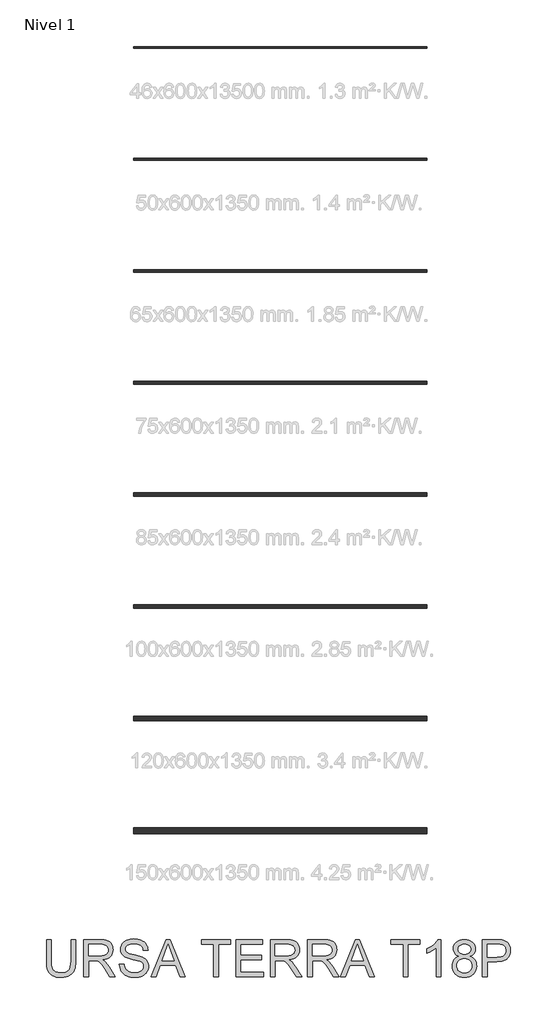
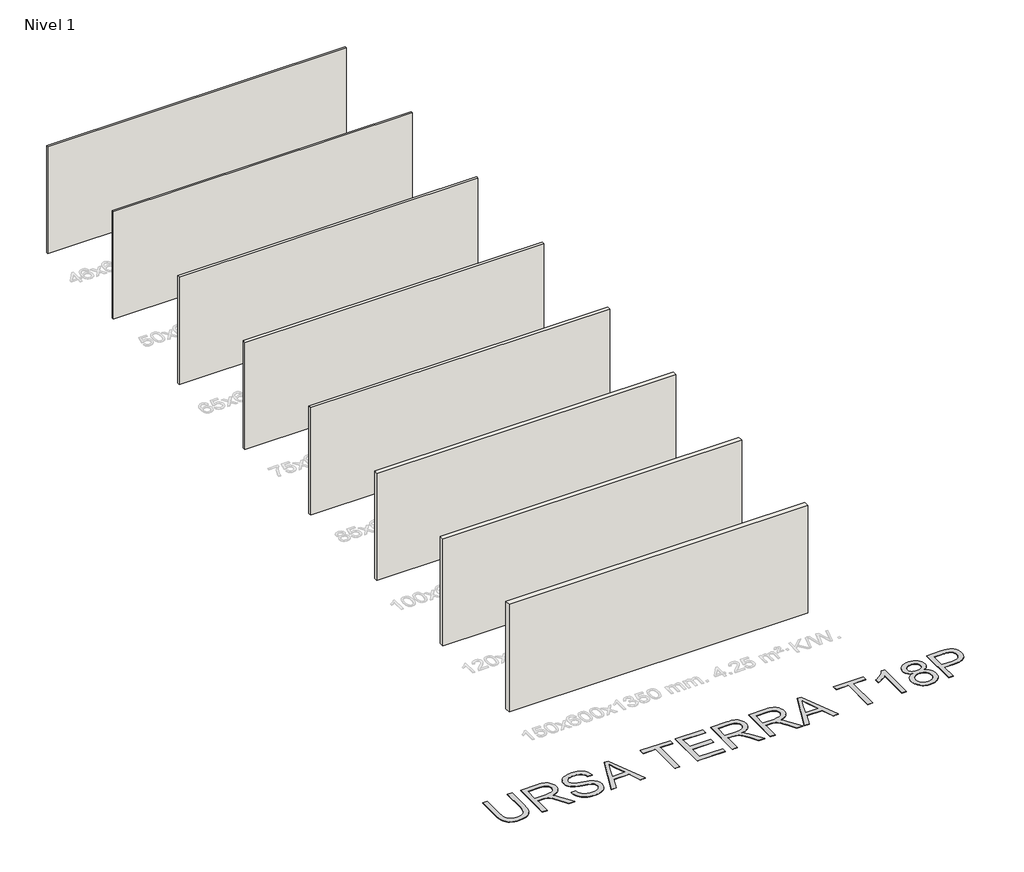
# One storey, part 1 of 9: 8 walls, 1 proxy.
"""IFC4 building model written with IfcOpenShell, lengths in millimetres."""

import ifcopenshell
import ifcopenshell.guid

model = None  # the IFC model being written
_history = None  # IfcOwnerHistory: only IFC2X3 demands one
_inside = {}  # id of a spatial element -> (the spatial element, [elements in it])
_under = {}  # id of a project, library or spatial element -> (it, [spatial elements below it])
_declared = {}  # id of a project -> (the project, [libraries it declares])
_typed = {}  # id of a type object -> (the type object, [elements of that type])
_made_of = {}  # id of a material, layer set ... -> (it, [elements and type objects made of it])


def new_model(schema):
    """Start an empty IFC model of exactly this schema.

    Asked for "IFC4X3", IfcOpenShell would pick the latest addendum, in which some entities
    have other attributes; the version numbers below select the first issue.
    IFC2X3 requires an IfcOwnerHistory on every rooted entity: one is made here for all.
    """
    global model, _history
    if schema == "IFC4X3":
        model = ifcopenshell.file(schema_version=(4, 3, 0, 0))
    else:
        model = ifcopenshell.file(schema=schema)
    _inside.clear()
    _under.clear()
    _declared.clear()
    _typed.clear()
    _made_of.clear()
    _history = None
    if model.schema == "IFC2X3":
        org = make("IfcOrganization", Name="unknown")
        user = make(
            "IfcPersonAndOrganization",
            ThePerson=make("IfcPerson", FamilyName="unknown"),
            TheOrganization=org,
        )
        app = make(
            "IfcApplication",
            ApplicationDeveloper=org,
            Version="unknown",
            ApplicationFullName="unknown",
            ApplicationIdentifier="unknown",
        )
        _history = make(
            "IfcOwnerHistory",
            OwningUser=user,
            OwningApplication=app,
            ChangeAction="ADDED",
            CreationDate=0,
        )
    return model


def make(cls, **values):
    """One entity of the class cls with the attributes given. An attribute that is None is left unset."""
    return model.create_entity(
        cls, **{name: value for name, value in values.items() if value is not None}
    )


def rooted(cls, **values):
    """An entity with a GlobalId (a new one), such as an element, a storey or a relation."""
    return make(cls, GlobalId=ifcopenshell.guid.new(), OwnerHistory=_history, **values)


def si_unit(unit_type, name, prefix=None):
    """IfcSIUnit, for example si_unit("LENGTHUNIT", "METRE", prefix="MILLI")."""
    return make("IfcSIUnit", UnitType=unit_type, Prefix=prefix, Name=name)


def assignment(units):
    """IfcUnitAssignment: the units of a project."""
    return None if units is None else make("IfcUnitAssignment", Units=units)


def point(xyz):
    """IfcCartesianPoint."""
    return None if xyz is None else make("IfcCartesianPoint", Coordinates=xyz)


def direction(xyz):
    """IfcDirection."""
    return None if xyz is None else make("IfcDirection", DirectionRatios=xyz)


def frame(location, z_axis=None, x_axis=None):
    """IfcAxis2Placement3D, a coordinate frame: its origin and axes. An axis left out is left unset."""
    return make(
        "IfcAxis2Placement3D",
        Location=point(location),
        Axis=direction(z_axis),
        RefDirection=direction(x_axis),
    )


def origin():
    """The frame at (0, 0, 0) with its axes left unset."""
    return frame((0.0, 0.0, 0.0))


def origin_with_axes():
    """The frame at (0, 0, 0) with the z axis (0, 0, 1) and the x axis (1, 0, 0) written out."""
    return frame((0.0, 0.0, 0.0), z_axis=(0.0, 0.0, 1.0), x_axis=(1.0, 0.0, 0.0))


def place(relative_to, where):
    """IfcLocalPlacement: puts the frame where relative to a parent placement (None: the world)."""
    return make(
        "IfcLocalPlacement", PlacementRelTo=relative_to, RelativePlacement=where
    )


def context(
    kind, dimensions, precision=None, world=None, true_north=None, identifier=None
):
    """IfcGeometricRepresentationContext, for example the 3D "Model" context."""
    return make(
        "IfcGeometricRepresentationContext",
        ContextIdentifier=identifier,
        ContextType=kind,
        CoordinateSpaceDimension=dimensions,
        Precision=precision,
        WorldCoordinateSystem=world,
        TrueNorth=true_north,
    )


def project(units=None, contexts=None):
    """IfcProject with its units and contexts."""
    return rooted(
        "IfcProject",
        Name="project",
        RepresentationContexts=contexts,
        UnitsInContext=assignment(units),
    )


def spatial(cls, under=None, at=None, **own):
    """A site, building, storey or space (cls), placed at a placement, below another one or the project."""
    s = rooted(cls, ObjectPlacement=at, **own)
    if under is not None:
        _under.setdefault(under.id(), (under, []))[1].append(s)
    return s


def polyline(points):
    """IfcPolyline through the points."""
    return make("IfcPolyline", Points=[point(p) for p in points])


def outline(outer, holes=None, kind="AREA"):
    """IfcArbitraryClosedProfileDef: a profile drawn as a closed curve; with holes, ...WithVoids."""
    if holes is None:
        return make("IfcArbitraryClosedProfileDef", ProfileType=kind, OuterCurve=outer)
    return make(
        "IfcArbitraryProfileDefWithVoids",
        ProfileType=kind,
        OuterCurve=outer,
        InnerCurves=holes,
    )


def extrude(swept, where, along, depth):
    """IfcExtrudedAreaSolid: the profile swept, set in the frame where, extruded along a direction by depth."""
    return make(
        "IfcExtrudedAreaSolid",
        SweptArea=swept,
        Position=where,
        ExtrudedDirection=direction(along),
        Depth=depth,
    )


def shape(context_of_items, identifier, shape_type, items):
    """IfcShapeRepresentation: the items that make up one representation, for example the "Body"."""
    return make(
        "IfcShapeRepresentation",
        ContextOfItems=context_of_items,
        RepresentationIdentifier=identifier,
        RepresentationType=shape_type,
        Items=items,
    )


def made_of(thing, what):
    """Note that an element or type object is made of a material, layer set ...; save() writes the relation."""
    if what is not None:
        _made_of.setdefault(what.id(), (what, []))[1].append(thing)
    return thing


def element(
    cls,
    number,
    at=None,
    inside=None,
    cuts=None,
    type_object=None,
    material=None,
    context=None,
    identifier="Body",
    shape_type=None,
    held_by="IfcProductDefinitionShape",
    body=None,
    shapes=None,
    **own,
):
    """One element of the class cls, such as IfcWall. Its Tag is "e" and its number.

    at: its placement. inside: the storey or other place that contains it. cuts: it is an
    opening in that element (IfcRelVoidsElement). A single representation is given by context,
    identifier, shape_type and body (its items); several are given by shapes. held_by: the class
    of the entity that holds the representations. save() writes the other relations.
    """
    e = rooted(cls, Tag="e%d" % number, ObjectPlacement=at, **own)
    if body is not None:
        shapes = [shape(context, identifier, shape_type, body)]
    if shapes is not None:
        e.Representation = make(held_by, Representations=shapes)
    if inside is not None:
        _inside.setdefault(inside.id(), (inside, []))[1].append(e)
    if cuts is not None:
        rooted(
            "IfcRelVoidsElement", RelatingBuildingElement=cuts, RelatedOpeningElement=e
        )
    if type_object is not None:
        _typed.setdefault(type_object.id(), (type_object, []))[1].append(e)
    return made_of(e, material)


def aggregate(whole, parts):
    """IfcRelAggregates: a whole, such as a stair, and the parts it consists of."""
    return rooted("IfcRelAggregates", RelatingObject=whole, RelatedObjects=parts)


def save(model, path):
    """Write the relations noted so far, then the file.

    IfcRelAggregates (storeys below a building ...), IfcRelContainedInSpatialStructure (elements
    in a storey), IfcRelDefinesByType, IfcRelAssociatesMaterial and IfcRelDeclares: one each for
    every whole, place, type object, material and project.
    """
    for whole, parts in _under.values():
        aggregate(whole, parts)
    for where, things in _inside.values():
        rooted(
            "IfcRelContainedInSpatialStructure",
            RelatedElements=things,
            RelatingStructure=where,
        )
    for kind, things in _typed.values():
        rooted("IfcRelDefinesByType", RelatedObjects=things, RelatingType=kind)
    for what, things in _made_of.values():
        rooted("IfcRelAssociatesMaterial", RelatedObjects=things, RelatingMaterial=what)
    for by, libraries in _declared.values():
        rooted("IfcRelDeclares", RelatingContext=by, RelatedDefinitions=libraries)
    model.write(path)


model = new_model("IFC4")

# Units and contexts
model_context = context("Model", 3, world=origin())
ifc_project = project(units=[si_unit("LENGTHUNIT", "METRE", prefix="MILLI")], contexts=[model_context])

# Site, building, storey
site = spatial("IfcSite", under=ifc_project)
building = spatial("IfcBuilding", under=site)
storey = spatial("IfcBuildingStorey", under=building, Name="Nivel 1", Elevation=0.0)

# Proxy
placement = place(None, origin())
element("IfcBuildingElementProxy", 1, Name="Texto de modelo 2", ObjectType="Texto de modelo 2", at=placement, inside=storey, context=model_context, shape_type="SweptSolid", body=[
    extrude(outline(polyline([(-8219.1012107, -20025.8387308), (-8093.530823, -20025.8387308), (-8093.530823, -20605.3755006), (-8095.6614729, -20677.1354823), (-8102.0534226, -20741.0933), (-8112.706672, -20797.2489537), (-8127.6212212, -20845.6024434), (-8148.0846572, -20887.985515), (-8175.3845669, -20926.229914), (-8209.5209504, -20960.3356407), (-8250.4938076, -20990.3026949), (-8298.3491238, -21014.7131981), (-8353.1328843, -21032.1492718), (-8414.845089, -21042.6109161), (-8483.4857379, -21046.0981308), (-8550.4325968, -21043.0631043), (-8610.9875061, -21033.958025), (-8665.1504656, -21018.7828927), (-8712.9214756, -20997.5377074), (-8754.3082, -20970.5367018), (-8789.3183032, -20938.0941084), (-8817.9517852, -20900.2099271), (-8840.2086459, -20856.8841579), (-8856.8936272, -20806.6299446), (-8868.811471, -20747.9604305), (-8875.9621773, -20680.8756159), (-8878.3457461, -20605.3755006), (-8878.3457461, -20025.8387308), (-8752.7753584, -20025.8387308), (-8752.7753584, -20600.9609166), (-8751.2271883, -20661.66911), (-8746.5826781, -20713.8087187), (-8738.8418278, -20757.3797425), (-8728.0046374, -20792.3821815), (-8713.3966565, -20821.3452244), (-8694.3434348, -20846.7980599), (-8670.8449724, -20868.7406881), (-8642.9012691, -20887.1731089), (-8611.0488197, -20901.7657614), (-8575.8241187, -20912.1890846), (-8537.227166, -20918.4430785), (-8495.2579617, -20920.5277431), (-8426.0501614, -20916.4043991), (-8367.5415958, -20904.034367), (-8319.7322648, -20883.4176468), (-8299.8398123, -20870.0167788), (-8282.6221685, -20854.5542386), (-8267.734444, -20836.1601389), (-8254.8317495, -20813.9645918), (-8234.9814502, -20758.1691559), (-8223.0712706, -20687.1679308), (-8219.1012107, -20600.9609166), (-8219.1012107, -20025.8387308)])), origin_with_axes(), (0.0, 0.0, 1.0), 10.0),
    extrude(outline(polyline([(-7873.7826446, -21030.4018323), (-7873.7826446, -20025.8387308), (-7440.9081636, -20025.8387308), (-7378.7744274, -20027.5325209), (-7324.5654826, -20032.6138909), (-7278.2813291, -20041.082841), (-7239.9219669, -20052.9393712), (-7207.2571114, -20069.0955221), (-7178.056478, -20090.4633347), (-7152.3200668, -20117.0428088), (-7130.0478776, -20148.8339446), (-7112.0753093, -20184.1276235), (-7099.2377606, -20221.2147271), (-7091.5352313, -20260.0952555), (-7088.9677215, -20300.7692086), (-7093.2213571, -20352.3646584), (-7105.9822638, -20399.7294653), (-7127.2504416, -20442.8636292), (-7157.0258906, -20481.7671502), (-7195.6918212, -20515.1984265), (-7243.6314437, -20541.9158564), (-7300.8447581, -20561.9194399), (-7367.3317645, -20575.209177), (-7325.9450401, -20602.2485036), (-7295.9626575, -20628.9199483), (-7244.5204918, -20689.9270458), (-7194.1819721, -20758.1691559), (-7026.673037, -21030.4018323), (-7172.5995618, -21030.4018323), (-7303.3202974, -20822.1806231), (-7355.6208544, -20742.7181121), (-7397.7433428, -20684.3475022), (-7432.8454165, -20644.1563942), (-7464.0847293, -20619.2323891), (-7493.668573, -20604.6090798), (-7523.8042398, -20595.3200594), (-7596.6448749, -20590.9054754), (-7748.2122569, -20590.9054754), (-7748.2122569, -21030.4018323), (-7873.7826446, -21030.4018323)]), holes=[polyline([(-7748.2122569, -20465.3350877), (-7467.1504126, -20465.3350877), (-7386.4309715, -20460.889847), (-7323.7990618, -20447.5541246), (-7298.6144735, -20437.3300709), (-7276.6488527, -20424.4388726), (-7257.9021994, -20408.8805299), (-7242.3745135, -20390.6550427), (-7230.1960866, -20370.6591234), (-7221.4972103, -20349.7894844), (-7216.2778845, -20328.0461257), (-7214.5381092, -20305.4290472), (-7217.8567114, -20273.3160147), (-7227.8125179, -20244.176695), (-7244.4055287, -20218.0110881), (-7267.6357438, -20194.819194), (-7298.0396579, -20175.827286), (-7336.1537654, -20162.2616374), (-7381.9780665, -20154.1222482), (-7435.512561, -20151.4091185), (-7748.2122569, -20151.4091185), (-7748.2122569, -20465.3350877)])]), origin_with_axes(), (0.0, 0.0, 1.0), 10.0),
    extrude(outline(polyline([(-6916.3084385, -20685.0832662), (-6790.7380508, -20685.0832662), (-6784.9898946, -20721.6338753), (-6776.3293393, -20754.7662475), (-6764.7563849, -20784.4803828), (-6750.2710313, -20810.7762812), (-6732.1375146, -20834.1827732), (-6709.6200708, -20855.228689), (-6682.7186999, -20873.9140286), (-6651.4334019, -20890.2387922), (-6616.913808, -20903.4902082), (-6580.3095495, -20912.9555054), (-6541.6206264, -20918.6346837), (-6500.8470386, -20920.5277431), (-6430.8881458, -20914.7949154), (-6399.1736521, -20907.6288807), (-6369.6357936, -20897.5964321), (-6343.00267, -20885.0577874), (-6320.0023811, -20870.3731644), (-6300.6349269, -20853.5425632), (-6284.9003074, -20834.5659836), (-6272.7218805, -20814.263496), (-6264.0230042, -20793.4551706), (-6258.8036784, -20772.1410075), (-6257.0639031, -20750.3210067), (-6262.2755647, -20708.2904887), (-6277.9105495, -20671.9621417), (-6291.0623308, -20655.8443118), (-6309.6710284, -20640.9680836), (-6333.7366423, -20627.3334572), (-6363.2591724, -20614.9404325), (-6429.569902, -20595.2280889), (-6546.096524, -20566.9931457), (-6666.1180249, -20535.2633237), (-6709.9189749, -20519.9732282), (-6742.9133914, -20505.0663432), (-6776.4443024, -20485.0627597), (-6805.4226737, -20462.8212274), (-6829.8485054, -20438.3417463), (-6849.7217973, -20411.6243164), (-6865.1191917, -20382.9448492), (-6876.1173305, -20352.5792562), (-6882.7162138, -20320.5275374), (-6884.9158415, -20286.7896928), (-6882.1950476, -20249.3960208), (-6874.0326658, -20213.2439506), (-6860.4286962, -20178.333482), (-6841.3831388, -20144.6646153), (-6817.1105913, -20113.6092435), (-6787.8256516, -20086.53926), (-6753.5283198, -20063.4546648), (-6714.2185958, -20044.3554579), (-6671.2223876, -20029.3872593), (-6625.8656033, -20018.6956888), (-6578.1482428, -20012.2807465), (-6528.0703062, -20010.1424324), (-6473.4398299, -20012.3803812), (-6422.1202916, -20019.0942276), (-6374.1116912, -20030.2839716), (-6329.4140288, -20045.9496132), (-6288.8550388, -20065.9531967), (-6253.2624558, -20090.1567663), (-6222.6362797, -20118.560322), (-6196.9765105, -20151.1638639), (-6176.4824177, -20187.01703), (-6161.3532707, -20225.1694586), (-6151.5890694, -20265.6211496), (-6147.1898139, -20308.3721031), (-6272.7602016, -20308.3721031), (-6281.1601738, -20268.3036225), (-6295.8141399, -20233.4468035), (-6316.7221, -20203.801646), (-6343.884054, -20179.3681502), (-6377.8058396, -20160.2689432), (-6418.9932946, -20146.6266526), (-6467.4464191, -20138.4412782), (-6523.1652129, -20135.7128201), (-6580.6621031, -20138.4106214), (-6629.7896779, -20146.5040253), (-6670.5479373, -20159.9930317), (-6702.9368812, -20178.8776408), (-6727.6156318, -20201.5790256), (-6745.2433107, -20226.5183592), (-6755.8199181, -20253.6956416), (-6759.3454538, -20283.1108728), (-6756.846922, -20308.4180884), (-6749.3513263, -20331.3647278), (-6736.8586669, -20351.9507911), (-6719.3689437, -20370.1762783), (-6691.8391077, -20387.4360753), (-6648.490346, -20404.8798132), (-6589.3226584, -20422.5074921), (-6514.3360451, -20440.3191121), (-6375.8897875, -20473.9803146), (-6327.17608, -20489.2014322), (-6292.13532, -20503.3495606), (-6253.638002, -20524.7940152), (-6220.5516151, -20548.9056143), (-6192.8761591, -20575.6843579), (-6170.6116342, -20605.1302459), (-6153.4974572, -20637.0899942), (-6141.2730451, -20671.4103187), (-6133.9383978, -20708.0912193), (-6131.4935154, -20747.1326961), (-6134.3062798, -20786.4117632), (-6142.7445731, -20824.5411992), (-6156.8083952, -20861.5210039), (-6176.4977461, -20897.3511774), (-6201.4677366, -20930.644498), (-6231.3734771, -20960.0137439), (-6266.2149677, -20985.4589153), (-6305.9922085, -21006.980012), (-6349.5479038, -21024.094189), (-6395.7247584, -21036.3186011), (-6444.5227723, -21043.6532484), (-6495.9419453, -21046.0981308), (-6560.1756745, -21043.4616432), (-6618.9678158, -21035.5521803), (-6672.3183694, -21022.3697421), (-6720.227335, -21003.9143287), (-6762.9859528, -20980.1552832), (-6800.8854625, -20951.0619487), (-6833.9258642, -20916.6343253), (-6862.1071578, -20876.872413), (-6884.8085426, -20833.0637988), (-6901.4092176, -20786.4960695), (-6911.9091829, -20737.1692253), (-6916.3084385, -20685.0832662)])), origin_with_axes(), (0.0, 0.0, 1.0), 10.0),
    extrude(outline(polyline([(-6059.8791537, -21030.4018323), (-5658.8877789, -20025.8387308), (-5551.9567457, -20025.8387308), (-5151.2106256, -21030.4018323), (-5283.8933985, -21030.4018323), (-5398.672581, -20716.4758631), (-5812.6624529, -20716.4758631), (-5927.4416354, -21030.4018323), (-6059.8791537, -21030.4018323)]), holes=[polyline([(-5766.5545762, -20590.9054754), (-5444.5352031, -20590.9054754), (-5535.2794286, -20343.9340293), (-5605.667517, -20151.4091185), (-5668.2074561, -20322.351619), (-5766.5545762, -20590.9054754)])]), origin_with_axes(), (0.0, 0.0, 1.0), 10.0),
    extrude(outline(polyline([(-4373.5080878, -21030.4018323), (-4373.5080878, -20151.4091185), (-4703.1303555, -20151.4091185), (-4703.1303555, -20025.8387308), (-3918.3154324, -20025.8387308), (-3918.3154324, -20151.4091185), (-4247.9377001, -20151.4091185), (-4247.9377001, -21030.4018323), (-4373.5080878, -21030.4018323)])), origin_with_axes(), (0.0, 0.0, 1.0), 10.0),
    extrude(outline(polyline([(-3777.0487463, -21030.4018323), (-3777.0487463, -20025.8387308), (-3055.0190171, -20025.8387308), (-3055.0190171, -20151.4091185), (-3651.4783586, -20151.4091185), (-3651.4783586, -20449.6387893), (-3086.411614, -20449.6387893), (-3086.411614, -20575.209177), (-3651.4783586, -20575.209177), (-3651.4783586, -20904.8314446), (-3039.3227186, -20904.8314446), (-3039.3227186, -21030.4018323), (-3777.0487463, -21030.4018323)])), origin_with_axes(), (0.0, 0.0, 1.0), 10.0),
    extrude(outline(polyline([(-2850.9671371, -21030.4018323), (-2850.9671371, -20025.8387308), (-2418.0926561, -20025.8387308), (-2355.9589199, -20027.5325209), (-2301.7499751, -20032.6138909), (-2255.4658216, -20041.082841), (-2217.1064594, -20052.9393712), (-2184.4416039, -20069.0955221), (-2155.2409705, -20090.4633347), (-2129.5045593, -20117.0428088), (-2107.2323702, -20148.8339446), (-2089.2598019, -20184.1276235), (-2076.4222531, -20221.2147271), (-2068.7197238, -20260.0952555), (-2066.152214, -20300.7692086), (-2070.4058496, -20352.3646584), (-2083.1667563, -20399.7294653), (-2104.4349342, -20442.8636292), (-2134.2103831, -20481.7671502), (-2172.8763137, -20515.1984265), (-2220.8159362, -20541.9158564), (-2278.0292506, -20561.9194399), (-2344.5162571, -20575.209177), (-2303.1295326, -20602.2485036), (-2273.14715, -20628.9199483), (-2221.7049843, -20689.9270458), (-2171.3664647, -20758.1691559), (-2003.8575295, -21030.4018323), (-2149.7840543, -21030.4018323), (-2280.5047899, -20822.1806231), (-2332.8053469, -20742.7181121), (-2374.9278353, -20684.3475022), (-2410.029909, -20644.1563942), (-2441.2692218, -20619.2323891), (-2470.8530656, -20604.6090798), (-2500.9887323, -20595.3200594), (-2573.8293674, -20590.9054754), (-2725.3967494, -20590.9054754), (-2725.3967494, -21030.4018323), (-2850.9671371, -21030.4018323)]), holes=[polyline([(-2725.3967494, -20465.3350877), (-2444.3349051, -20465.3350877), (-2363.615464, -20460.889847), (-2300.9835543, -20447.5541246), (-2275.798966, -20437.3300709), (-2253.8333452, -20424.4388726), (-2235.0866919, -20408.8805299), (-2219.559006, -20390.6550427), (-2207.3805791, -20370.6591234), (-2198.6817028, -20349.7894844), (-2193.462377, -20328.0461257), (-2191.7226017, -20305.4290472), (-2195.0412039, -20273.3160147), (-2204.9970104, -20244.176695), (-2221.5900212, -20218.0110881), (-2244.8202364, -20194.819194), (-2275.2241504, -20175.827286), (-2313.338258, -20162.2616374), (-2359.162559, -20154.1222482), (-2412.6970535, -20151.4091185), (-2725.3967494, -20151.4091185), (-2725.3967494, -20465.3350877)])]), origin_with_axes(), (0.0, 0.0, 1.0), 10.0),
    extrude(outline(polyline([(-1846.4040356, -21030.4018323), (-1846.4040356, -20025.8387308), (-1413.5295546, -20025.8387308), (-1351.3958185, -20027.5325209), (-1297.1868736, -20032.6138909), (-1250.9027201, -20041.082841), (-1212.5433579, -20052.9393712), (-1179.8785024, -20069.0955221), (-1150.677869, -20090.4633347), (-1124.9414578, -20117.0428088), (-1102.6692687, -20148.8339446), (-1084.6967004, -20184.1276235), (-1071.8591516, -20221.2147271), (-1064.1566223, -20260.0952555), (-1061.5891125, -20300.7692086), (-1065.8427481, -20352.3646584), (-1078.6036548, -20399.7294653), (-1099.8718327, -20442.8636292), (-1129.6472817, -20481.7671502), (-1168.3132122, -20515.1984265), (-1216.2528347, -20541.9158564), (-1273.4661491, -20561.9194399), (-1339.9531556, -20575.209177), (-1298.5664311, -20602.2485036), (-1268.5840485, -20628.9199483), (-1217.1418828, -20689.9270458), (-1166.8033632, -20758.1691559), (-999.294428, -21030.4018323), (-1145.2209528, -21030.4018323), (-1275.9416884, -20822.1806231), (-1328.2422454, -20742.7181121), (-1370.3647338, -20684.3475022), (-1405.4668075, -20644.1563942), (-1436.7061203, -20619.2323891), (-1466.2899641, -20604.6090798), (-1496.4256308, -20595.3200594), (-1569.2662659, -20590.9054754), (-1720.8336479, -20590.9054754), (-1720.8336479, -21030.4018323), (-1846.4040356, -21030.4018323)]), holes=[polyline([(-1720.8336479, -20465.3350877), (-1439.7718036, -20465.3350877), (-1359.0523625, -20460.889847), (-1296.4204528, -20447.5541246), (-1271.2358645, -20437.3300709), (-1249.2702437, -20424.4388726), (-1230.5235904, -20408.8805299), (-1214.9959045, -20390.6550427), (-1202.8174776, -20370.6591234), (-1194.1186013, -20349.7894844), (-1188.8992755, -20328.0461257), (-1187.1595002, -20305.4290472), (-1190.4781024, -20273.3160147), (-1200.4339089, -20244.176695), (-1217.0269197, -20218.0110881), (-1240.2571349, -20194.819194), (-1270.6610489, -20175.827286), (-1308.7751565, -20162.2616374), (-1354.5994575, -20154.1222482), (-1408.133952, -20151.4091185), (-1720.8336479, -20151.4091185), (-1720.8336479, -20465.3350877)])]), origin_with_axes(), (0.0, 0.0, 1.0), 10.0),
    extrude(outline(polyline([(-958.5821539, -21030.4018323), (-557.5907792, -20025.8387308), (-450.6597459, -20025.8387308), (-49.9136258, -21030.4018323), (-182.5963987, -21030.4018323), (-297.3755812, -20716.4758631), (-711.3654531, -20716.4758631), (-826.1446356, -21030.4018323), (-958.5821539, -21030.4018323)]), holes=[polyline([(-665.2575764, -20590.9054754), (-343.2382033, -20590.9054754), (-433.9824288, -20343.9340293), (-504.3705172, -20151.4091185), (-566.9104564, -20322.351619), (-665.2575764, -20590.9054754)])]), origin_with_axes(), (0.0, 0.0, 1.0), 10.0),
    extrude(outline(polyline([(727.788912, -21030.4018323), (727.788912, -20151.4091185), (398.1666443, -20151.4091185), (398.1666443, -20025.8387308), (1182.9815674, -20025.8387308), (1182.9815674, -20151.4091185), (853.3592997, -20151.4091185), (853.3592997, -21030.4018323), (727.788912, -21030.4018323)])), origin_with_axes(), (0.0, 0.0, 1.0), 10.0),
    extrude(outline(polyline([(1748.048312, -21030.4018323), (1622.4779243, -21030.4018323), (1622.4779243, -20247.5489466), (1570.05474, -20289.9473465), (1503.5294125, -20332.2844328), (1433.6931471, -20369.2872302), (1371.3371489, -20395.6827633), (1371.3371489, -20276.9795062), (1422.2964694, -20251.427036), (1469.9601804, -20223.3300486), (1514.3282819, -20192.6885441), (1555.4007738, -20159.5025224), (1591.9513829, -20125.3048253), (1622.7538358, -20091.6282943), (1647.8081325, -20058.4729295), (1667.114273, -20025.8387308), (1748.048312, -20025.8387308), (1748.048312, -21030.4018323)])), origin_with_axes(), (0.0, 0.0, 1.0), 10.0),
    extrude(outline(polyline([(2229.2379616, -20477.1073116), (2193.1165482, -20462.0241498), (2162.007527, -20443.997932), (2135.910898, -20423.0286583), (2114.8266611, -20399.1163286), (2098.5708755, -20372.4908692), (2086.9596, -20343.3822063), (2079.9928347, -20311.79034), (2077.6705796, -20277.7152702), (2082.7289571, -20226.5030308), (2097.9040894, -20179.5520912), (2123.1959765, -20136.8624513), (2158.6046186, -20098.4341112), (2202.4285612, -20066.6736323), (2252.9663503, -20043.9875759), (2310.2179858, -20030.3759421), (2374.1834677, -20025.8387308), (2438.455518, -20030.483241), (2496.1363491, -20044.4167716), (2547.2259612, -20067.6393225), (2591.7243542, -20100.1508939), (2627.7767898, -20139.3303264), (2653.5285294, -20182.5564608), (2668.9795732, -20229.8292972), (2674.1299211, -20281.1488355), (2671.8383229, -20314.0206246), (2664.9635281, -20344.7004502), (2653.5055368, -20373.1883122), (2637.464349, -20399.4842106), (2616.7633225, -20423.2355919), (2591.3258154, -20444.0899025), (2561.1518276, -20462.0471424), (2526.2413591, -20477.1073116), (2567.5131204, -20494.6660127), (2603.5272349, -20516.9305376), (2634.2837025, -20543.9008863), (2659.7825233, -20575.577059), (2679.793771, -20611.2539483), (2694.0875194, -20650.2264472), (2702.6637684, -20692.4945556), (2705.5225181, -20738.0582735), (2699.851004, -20800.6901832), (2682.8364617, -20858.1104313), (2654.4788912, -20910.3190177), (2614.7782926, -20957.3159426), (2591.1955239, -20978.124268), (2565.8193304, -20996.15815), (2538.6497122, -21011.4175885), (2509.6866693, -21023.9025838), (2446.3803093, -21040.549244), (2375.9002504, -21046.0981308), (2305.4201915, -21040.5262514), (2242.1138315, -21023.8106133), (2213.1507886, -21011.2738846), (2185.9811704, -20995.9512163), (2160.6049769, -20977.8426083), (2137.0222082, -20956.9480606), (2097.3216095, -20909.6215748), (2068.9640391, -20856.7921874), (2051.9494968, -20798.4598986), (2046.2779827, -20734.6247082), (2049.2516955, -20686.9839898), (2058.1728339, -20643.3899734), (2073.0413979, -20603.8426589), (2093.8573874, -20568.3420464), (2120.1609501, -20537.5319293), (2151.4922333, -20512.0561011), (2187.8512372, -20491.9145619), (2229.2379616, -20477.1073116)]), holes=[polyline([(2171.8483704, -20730.2101243), (2177.0906888, -20778.2493815), (2192.8176441, -20824.755797), (2205.3179678, -20846.3305432), (2221.8496649, -20865.314787), (2242.4127356, -20881.7085284), (2267.0071798, -20895.5117674), (2321.0858331, -20914.2737492), (2376.881269, -20920.5277431), (2422.2840386, -20917.2397978), (2462.3525193, -20907.3759618), (2497.086711, -20890.9362351), (2526.4866137, -20867.9206178), (2549.8777773, -20839.8312946), (2566.5857512, -20808.1704504), (2576.6105356, -20772.9380852), (2579.9521304, -20734.1341989), (2576.5032367, -20694.7095117), (2566.1565556, -20658.8410172), (2548.912087, -20626.5287153), (2524.7698311, -20597.772606), (2494.5728507, -20574.1668447), (2459.1642086, -20557.3055865), (2418.543905, -20547.1888317), (2372.7119398, -20543.81658), (2327.9759563, -20547.1428464), (2288.436306, -20557.1216455), (2254.0929889, -20573.7529774), (2224.946005, -20597.036842), (2201.7157899, -20625.3177704), (2185.1227791, -20656.9402936), (2175.1669726, -20691.9044115), (2171.8483704, -20730.2101243)]), polyline([(2203.2409673, -20281.3940902), (2206.0230749, -20310.1808563), (2214.3693977, -20336.2085074), (2228.2799356, -20359.4770436), (2247.7546887, -20379.9864649), (2272.5484024, -20396.7250956), (2302.4158219, -20408.6812605), (2337.3569472, -20415.8549594), (2377.3717784, -20418.2461924), (2416.3979267, -20415.8702878), (2450.5802954, -20408.7425742), (2479.9188845, -20396.8630514), (2504.413694, -20380.2317195), (2523.7274988, -20360.151494), (2537.5230736, -20337.9252901), (2545.8004185, -20313.5531079), (2548.5595335, -20287.0349474), (2545.708448, -20259.4821188), (2537.1551916, -20234.2132243), (2522.8997643, -20211.2282638), (2502.9421661, -20190.5272373), (2477.8955336, -20173.4130604), (2448.3730034, -20161.1886482), (2414.3745757, -20153.854001), (2375.9002504, -20151.4091185), (2337.1270209, -20153.8003515), (2302.9676448, -20160.9740504), (2273.4221221, -20172.9302152), (2248.4904527, -20189.668846), (2228.6938029, -20209.7490716), (2214.5533387, -20231.7300208), (2206.0690602, -20255.6116937), (2203.2409673, -20281.3940902)])]), origin_with_axes(), (0.0, 0.0, 1.0), 10.0),
    extrude(outline(polyline([(2862.4855027, -21030.4018323), (2862.4855027, -20025.8387308), (3234.7820818, -20025.8387308), (3321.4796053, -20028.2299638), (3384.8779358, -20035.4036627), (3419.8190612, -20042.9375794), (3451.8018021, -20053.2765963), (3480.8261587, -20066.4207134), (3506.8921309, -20082.3699308), (3530.2756302, -20101.4538093), (3551.2525681, -20124.0019099), (3569.8229447, -20150.0142326), (3585.9867599, -20179.4907775), (3599.0772275, -20211.45819), (3608.4275616, -20244.9431158), (3614.037762, -20279.9455548), (3615.9078288, -20316.465507), (3610.8571156, -20378.1317265), (3595.7049759, -20434.8621958), (3570.4514098, -20486.656915), (3535.0964172, -20533.5158842), (3512.8606331, -20554.3242095), (3486.5589865, -20572.3580915), (3456.1914774, -20587.6175301), (3421.7581058, -20600.1025253), (3383.2588718, -20609.8130771), (3340.6937754, -20616.7491856), (3243.365995, -20622.2980724), (2988.0558904, -20622.2980724), (2988.0558904, -21030.4018323), (2862.4855027, -21030.4018323)]), holes=[polyline([(2988.0558904, -20496.7276847), (3250.7236349, -20496.7276847), (3311.1175958, -20493.8459424), (3362.0692521, -20485.2007155), (3403.5786039, -20470.792004), (3435.6456512, -20450.6198079), (3459.5733093, -20425.2206219), (3476.6644936, -20395.1309403), (3486.9192042, -20360.3507634), (3490.3374411, -20320.880091), (3488.3217543, -20291.5721587), (3482.2746941, -20264.4715184), (3472.1962602, -20239.57817), (3458.0864529, -20216.8921137), (3440.6963644, -20197.1491133), (3420.7770872, -20181.0849328), (3398.3286213, -20168.6995723), (3373.3509666, -20159.9930317), (3324.9131706, -20153.5550968), (3247.780579, -20151.4091185), (2988.0558904, -20151.4091185), (2988.0558904, -20496.7276847)])]), origin_with_axes(), (0.0, 0.0, 1.0), 10.0),
])

# Walls
element("IfcWall", 2, at=placement, inside=storey, context=model_context, shape_type="SweptSolid", body=[
    extrude(outline(polyline([(1368.7582768, 3954.3831431), (-6531.2417232, 3954.3831431), (-6531.2417232, 4000.3831431), (1368.7582768, 4000.3831431), (1368.7582768, 3954.3831431)])), origin_with_axes(), (0.0, 0.0, 1.0), 3000.0),
])
element("IfcWall", 3, at=placement, inside=storey, context=model_context, shape_type="SweptSolid", body=[
    extrude(outline(polyline([(1368.7582768, -2068.6168569), (-6531.2417232, -2068.6168569), (-6531.2417232, -2003.6168569), (1368.7582768, -2003.6168569), (1368.7582768, -2068.6168569)])), origin_with_axes(), (0.0, 0.0, 1.0), 3000.0),
])
element("IfcWall", 4, at=placement, inside=storey, context=model_context, shape_type="SweptSolid", body=[
    extrude(outline(polyline([(1368.7582768, -5082.6168569), (-6531.2417232, -5082.6168569), (-6531.2417232, -5007.6168569), (1368.7582768, -5007.6168569), (1368.7582768, -5082.6168569)])), origin_with_axes(), (0.0, 0.0, 1.0), 3000.0),
])
element("IfcWall", 5, at=placement, inside=storey, context=model_context, shape_type="SweptSolid", body=[
    extrude(outline(polyline([(1368.7582768, -8096.6168569), (-6531.2417232, -8096.6168569), (-6531.2417232, -8011.6168569), (1368.7582768, -8011.6168569), (1368.7582768, -8096.6168569)])), origin_with_axes(), (0.0, 0.0, 1.0), 3000.0),
])
element("IfcWall", 6, at=placement, inside=storey, context=model_context, shape_type="SweptSolid", body=[
    extrude(outline(polyline([(1368.7582768, -11115.6168569), (-6531.2417232, -11115.6168569), (-6531.2417232, -11015.6168569), (1368.7582768, -11015.6168569), (1368.7582768, -11115.6168569)])), origin_with_axes(), (0.0, 0.0, 1.0), 3000.0),
])
element("IfcWall", 7, at=placement, inside=storey, context=model_context, shape_type="SweptSolid", body=[
    extrude(outline(polyline([(1368.7582768, -14139.6168569), (-6531.2417232, -14139.6168569), (-6531.2417232, -14019.6168569), (1368.7582768, -14019.6168569), (1368.7582768, -14139.6168569)])), origin_with_axes(), (0.0, 0.0, 1.0), 3000.0),
])
element("IfcWall", 8, at=placement, inside=storey, context=model_context, shape_type="SweptSolid", body=[
    extrude(outline(polyline([(1368.7582768, 946.3831431), (-6531.2417232, 946.3831431), (-6531.2417232, 996.3831431), (1368.7582768, 996.3831431), (1368.7582768, 946.3831431)])), origin_with_axes(), (0.0, 0.0, 1.0), 3000.0),
])
element("IfcWall", 9, at=placement, inside=storey, context=model_context, shape_type="SweptSolid", body=[
    extrude(outline(polyline([(1368.7582768, -17173.6168569), (-6531.2417232, -17173.6168569), (-6531.2417232, -17023.6168569), (1368.7582768, -17023.6168569), (1368.7582768, -17173.6168569)])), origin_with_axes(), (0.0, 0.0, 1.0), 3000.0),
])

save(model, "model.ifc")
